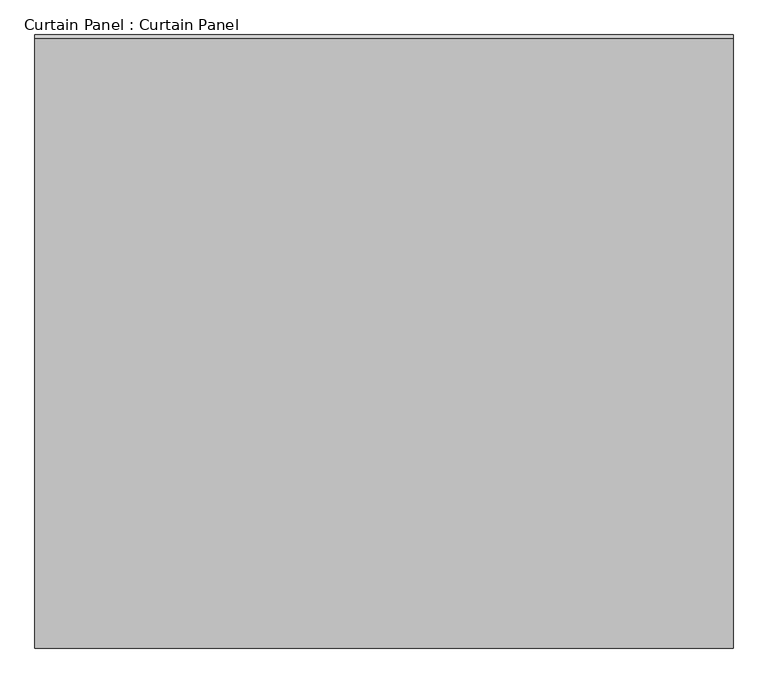
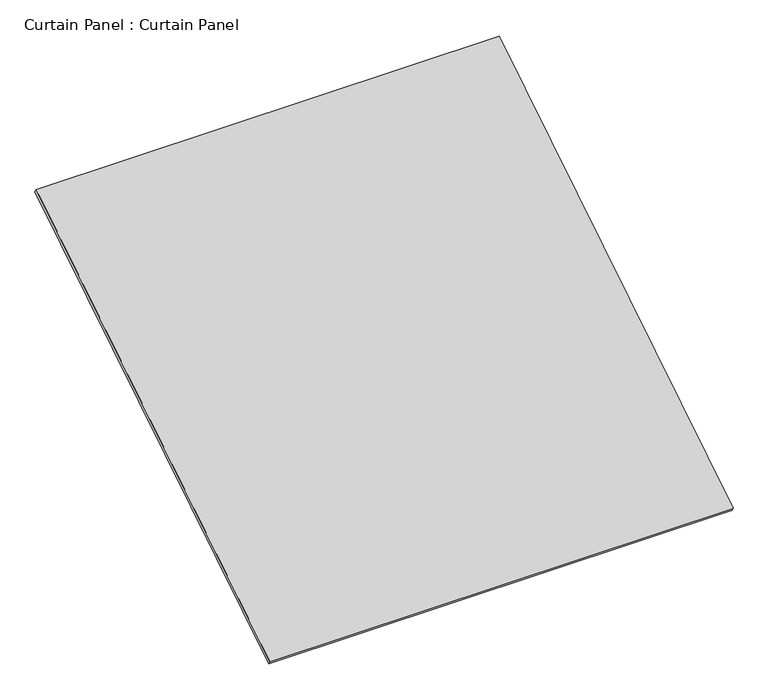
"""IFC4 building model written with IfcOpenShell, lengths in millimetres: plate geometry, Curtain Panel : Curtain Panel."""

from ifc_helpers import new_model, si_unit, frame, origin, place, context, project, spatial, polyline, outline, extrude, source, transform, mapped, element, save


def curtain_panel_curtain_panel_1bd2776e(model_context):
    return source(origin(), model_context, "Body", "SweptSolid", [
        extrude(outline(polyline([(-63.5, 0.0), (-63.5, -3013.075), (-2984.6077868, -3013.075), (-2984.6077868, 0.0), (-63.5, 0.0)])), frame((-114622.6430895, -6506.9755787, 5560.7850437), z_axis=(0.0, -0.5318918435658209, 0.8468122972348432), x_axis=(-1.0, 0.0, 0.0)), (0.0, 0.0, 1.0), 25.4),
    ])


if __name__ == "__main__":
    model = new_model("IFC4")
    model_context = context("Model", 3, world=origin())
    ifc_project = project(units=[si_unit("LENGTHUNIT", "METRE", prefix="MILLI")], contexts=[model_context])
    site = spatial("IfcSite", under=ifc_project)
    building = spatial("IfcBuilding", under=site)
    placement = place(None, origin())
    curtain_panel_curtain_panel_shape = curtain_panel_curtain_panel_1bd2776e(model_context)
    element("IfcPlate", 1, ObjectType="Curtain Panel : Curtain Panel", at=placement, inside=building, context=model_context, shape_type="MappedRepresentation", body=[
        mapped(curtain_panel_curtain_panel_shape, transform((0.0, 0.0, 0.0), x_axis=(1.0, 0.0, 0.0), y_axis=(0.0, 1.0, 0.0), z_axis=(0.0, 0.0, 1.0))),
    ])
    save(model, "model.ifc")
